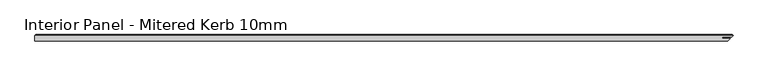
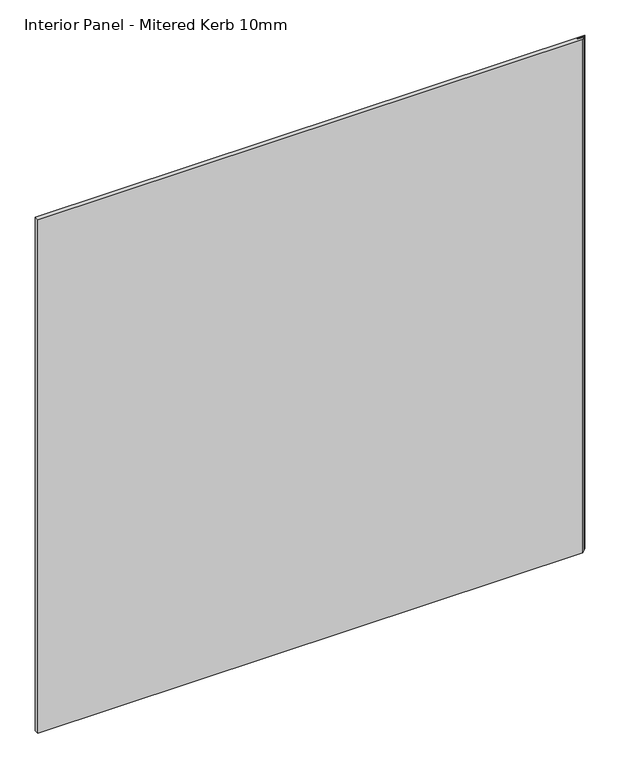
"""IFC4 building model written with IfcOpenShell, lengths in millimetres: proxy geometry, Interior Panel - Mitered Kerb 10mm."""

from ifc_helpers import new_model, si_unit, origin, place, context, project, spatial, faceted_brep, source, transform, mapped, element, save


def interior_panel_mitered_kerb_10mm_7b369f6e(model_context):
    return source(origin(), model_context, "Body", "Brep", [
        faceted_brep([(1071.165625, -9.525, 1066.8), (1074.721625, -5.969, 1066.8), (1062.6663953, -5.969, 1066.8), (1062.6663953, -3.556, 1066.8), (1077.134625, -3.556, 1066.8), (1079.103125, -1.5875, 1066.8), (0.0, -1.5875, 1066.8), (0.0, -9.525, 1066.8), (1071.165625, -9.525, 0.0), (0.0, -9.525, 0.0), (0.0, -1.5875, 0.0), (1079.103125, -1.5875, 0.0), (1077.134625, -3.556, 0.0), (1062.6663953, -3.556, 0.0), (1062.6663953, -5.969, 0.0), (1074.721625, -5.969, 0.0), (1.5875, 0.0, 1065.2125), (1077.515625, 0.0, 1065.2125), (1077.515625, 0.0, 1.5875), (1.5875, 0.0, 1.5875)], [[[0, 1, 2, 3, 4, 5, 6, 7]], [[8, 9, 10, 11, 12, 13, 14, 15]], [[7, 9, 8, 0]], [[6, 10, 9, 7]], [[16, 17, 18, 19]], [[6, 16, 19, 10]], [[11, 18, 17, 5]], [[5, 17, 16, 6]], [[10, 19, 18, 11]], [[4, 12, 11, 5]], [[3, 13, 12, 4]], [[2, 14, 13, 3]], [[1, 15, 14, 2]], [[0, 8, 15, 1]]]),
    ])


if __name__ == "__main__":
    model = new_model("IFC4")
    model_context = context("Model", 3, world=origin())
    ifc_project = project(units=[si_unit("LENGTHUNIT", "METRE", prefix="MILLI")], contexts=[model_context])
    site = spatial("IfcSite", under=ifc_project)
    building = spatial("IfcBuilding", under=site)
    placement = place(None, origin())
    interior_panel_mitered_kerb_10mm_shape = interior_panel_mitered_kerb_10mm_7b369f6e(model_context)
    element("IfcBuildingElementProxy", 1, Name="Interior Panel - Mitered Kerb 10mm", ObjectType="Interior Panel - Mitered Kerb 10mm", at=placement, inside=building, context=model_context, shape_type="MappedRepresentation", body=[
        mapped(interior_panel_mitered_kerb_10mm_shape, transform((0.0, 0.0, 0.0), x_axis=(1.0, 0.0, 0.0), y_axis=(0.0, 1.0, 0.0), z_axis=(0.0, 0.0, 1.0))),
    ])
    save(model, "model.ifc")
